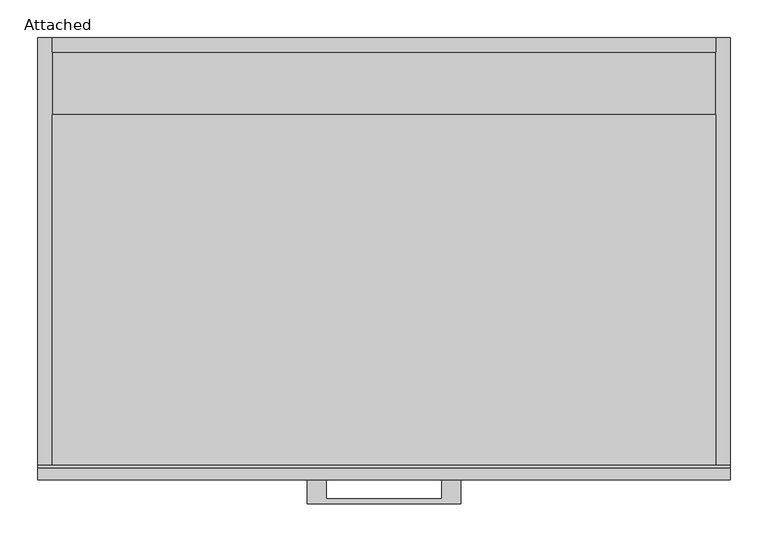
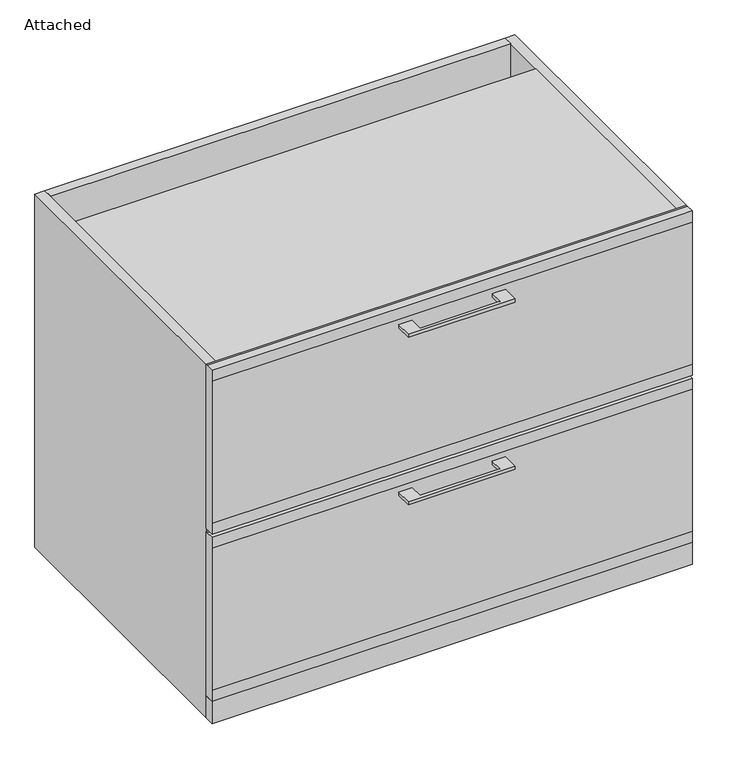
"""IFC4 building model written with IfcOpenShell, lengths in millimetres: furniture geometry, Attached."""

from ifc_helpers import new_model, si_unit, frame, origin, origin_with_axes, place, context, project, spatial, polyline, outline, extrude, source, transform, mapped, element, save


def attached_682b964c(model_context):
    return source(origin(), model_context, "Body", "SweptSolid", [
        extrude(outline(polyline([(-76.1999879, -584.2), (-76.1999879, -609.5999758), (76.2000061, -609.5999758), (76.2000061, -584.2), (101.6, -584.2), (101.6, -615.9499879), (-101.6, -615.9499879), (-101.6, -584.2), (-76.1999879, -584.2)])), frame((0.0, 0.0, 671.5125506), z_axis=(0.0, 0.0, 1.0), x_axis=(1.0, 0.0, 0.0)), (0.0, 0.0, 1.0), 6.3499758),
        extrude(outline(polyline([(-568.325, 711.2), (-565.15, 711.2), (-565.15, 381.0), (-568.325, 381.0), (-584.2, 381.0), (-584.2, 403.225), (-584.2, 688.975), (-584.2, 711.2), (-568.325, 711.2)])), frame((-457.2, 0.0, 0.0), z_axis=(1.0, 0.0, 0.0), x_axis=(0.0, 1.0, 0.0)), (0.0, 0.0, 1.0), 914.4),
        extrude(outline(polyline([(-76.1999879, -584.2), (-76.1999879, -609.5999758), (76.2000061, -609.5999758), (76.2000061, -584.2), (101.6, -584.2), (101.6, -615.9499879), (-101.6, -615.9499879), (-101.6, -584.2), (-76.1999879, -584.2)])), frame((0.0, 0.0, 334.9625506), z_axis=(0.0, 0.0, 1.0), x_axis=(1.0, 0.0, 0.0)), (0.0, 0.0, 1.0), 6.3499758),
        extrude(outline(polyline([(-568.325, 374.65), (-565.15, 374.65), (-565.15, 44.45), (-568.325, 44.45), (-584.2, 44.45), (-584.2, 66.675), (-584.2, 352.425), (-584.2, 374.65), (-568.325, 374.65)])), frame((-457.2, 0.0, 0.0), z_axis=(1.0, 0.0, 0.0), x_axis=(0.0, 1.0, 0.0)), (0.0, 0.0, 1.0), 914.4),
        extrude(outline(polyline([(-438.15, 0.0), (438.15, 0.0), (438.15, -565.15), (-438.15, -565.15), (-438.15, 0.0)])), origin_with_axes(), (0.0, 0.0, 1.0), 19.05),
        extrude(outline(polyline([(-438.15, 0.0), (438.15, 0.0), (438.15, -19.05), (-438.15, -19.05), (-438.15, 0.0)])), frame((0.0, 0.0, 492.125), z_axis=(0.0, 0.0, 1.0), x_axis=(1.0, 0.0, 0.0)), (0.0, 0.0, 1.0), 219.075),
        extrude(outline(polyline([(-438.15, -101.6), (438.15, -101.6), (438.15, -565.15), (-438.15, -565.15), (-438.15, -101.6)])), frame((0.0, 0.0, 693.7375), z_axis=(0.0, 0.0, 1.0), x_axis=(1.0, 0.0, 0.0)), (0.0, 0.0, 1.0), 17.4625),
        extrude(outline(polyline([(457.2, 0.0), (457.2, -565.15), (438.15, -565.15), (438.15, 0.0), (457.2, 0.0)])), origin_with_axes(), (0.0, 0.0, 1.0), 711.2),
        extrude(outline(polyline([(457.2, -565.15), (457.2, -584.2), (-457.2, -584.2), (-457.2, -565.15), (457.2, -565.15)])), origin_with_axes(), (0.0, 0.0, 1.0), 44.45),
        extrude(outline(polyline([(-438.15, 0.0), (-438.15, -565.15), (-457.2, -565.15), (-457.2, 0.0), (-438.15, 0.0)])), origin_with_axes(), (0.0, 0.0, 1.0), 711.2),
    ])


if __name__ == "__main__":
    model = new_model("IFC4")
    model_context = context("Model", 3, world=origin())
    ifc_project = project(units=[si_unit("LENGTHUNIT", "METRE", prefix="MILLI")], contexts=[model_context])
    site = spatial("IfcSite", under=ifc_project)
    building = spatial("IfcBuilding", under=site)
    placement = place(None, origin())
    attached_shape = attached_682b964c(model_context)
    element("IfcFurniture", 1, ObjectType="Attached", at=placement, inside=building, context=model_context, shape_type="MappedRepresentation", body=[
        mapped(attached_shape, transform((0.0, 0.0, 0.0), x_axis=(1.0, 0.0, 0.0), y_axis=(0.0, 1.0, 0.0), z_axis=(0.0, 0.0, 1.0))),
    ])
    save(model, "model.ifc")
